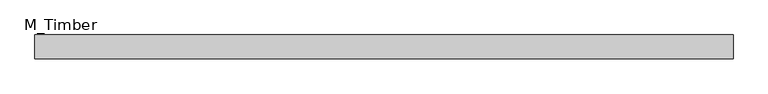
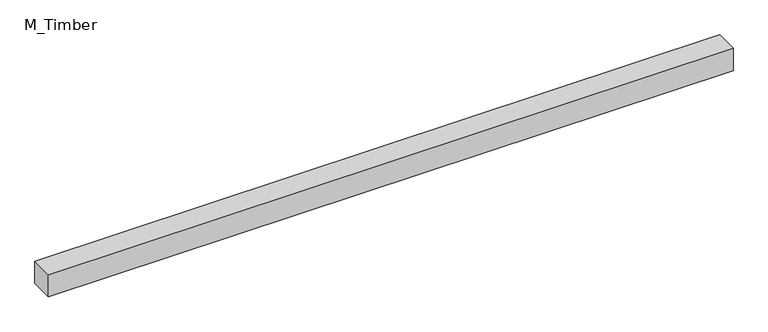
"""IFC4 building model written with IfcOpenShell, lengths in millimetres: beam geometry, M_Timber."""

from ifc_helpers import new_model, si_unit, frame, origin, place, context, project, spatial, polyline, outline, extrude, source, transform, mapped, element, save


def m_timber_320e61fa(model_context):
    return source(origin(), model_context, "Body", "SweptSolid", [
        extrude(outline(polyline([(584.1881281, 20.0), (584.1881281, -20.0), (-584.1881281, -20.0), (-584.1881281, 20.0), (584.1881281, 20.0)])), frame((0.0, 0.0, -20.0), z_axis=(0.0, 0.0, 1.0), x_axis=(1.0, 0.0, 0.0)), (0.0, 0.0, 1.0), 40.0),
    ])


if __name__ == "__main__":
    model = new_model("IFC4")
    model_context = context("Model", 3, world=origin())
    ifc_project = project(units=[si_unit("LENGTHUNIT", "METRE", prefix="MILLI")], contexts=[model_context])
    site = spatial("IfcSite", under=ifc_project)
    building = spatial("IfcBuilding", under=site)
    placement = place(None, origin())
    m_timber_shape = m_timber_320e61fa(model_context)
    element("IfcBeam", 1, ObjectType="M_Timber", at=placement, inside=building, context=model_context, shape_type="MappedRepresentation", body=[
        mapped(m_timber_shape, transform((0.0, 0.0, 0.0), x_axis=(1.0, 0.0, 0.0), y_axis=(0.0, 1.0, 0.0), z_axis=(0.0, 0.0, 1.0))),
    ])
    save(model, "model.ifc")
